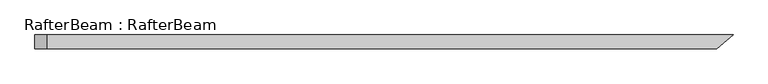
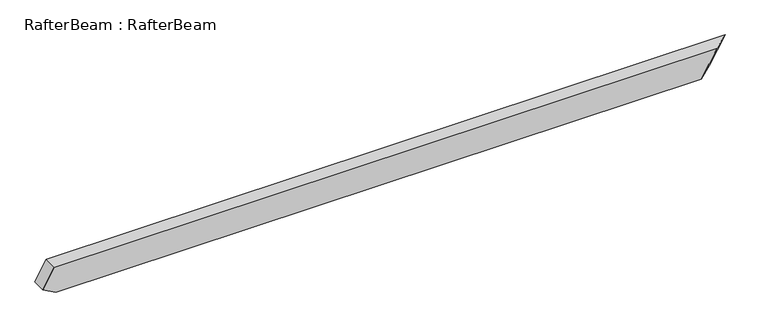
"""IFC4 building model written with IfcOpenShell, lengths in millimetres: beam geometry, RafterBeam : RafterBeam."""

from ifc_helpers import new_model, si_unit, origin, place, context, project, spatial, faceted_brep, source, transform, mapped, element, save


def rafterbeam_rafterbeam_eee92b52(model_context):
    return source(origin(), model_context, "Body", "Brep", [
        faceted_brep([(1884.122524, -40.0, 80.0), (1977.3527026, 40.0, 80.0), (-1996.0573398, 40.0, 80.0), (-1996.0573398, -40.0, 80.0), (1884.9766595, 40.0, -80.0), (1791.7464809, -40.0, -80.0), (-1988.4333828, -40.0, -80.0), (-1988.4333828, 40.0, -80.0), (-2063.4333828, 40.0, -36.6987298), (-2063.4333828, -40.0, -36.6987298)], [[[0, 1, 2, 3]], [[4, 5, 6, 7]], [[1, 4, 7, 8, 2]], [[5, 0, 3, 9, 6]], [[0, 5, 4, 1]], [[3, 2, 8, 9]], [[7, 6, 9, 8]]]),
    ])


if __name__ == "__main__":
    model = new_model("IFC4")
    model_context = context("Model", 3, world=origin())
    ifc_project = project(units=[si_unit("LENGTHUNIT", "METRE", prefix="MILLI")], contexts=[model_context])
    site = spatial("IfcSite", under=ifc_project)
    building = spatial("IfcBuilding", under=site)
    placement = place(None, origin())
    rafterbeam_rafterbeam_shape = rafterbeam_rafterbeam_eee92b52(model_context)
    element("IfcBeam", 1, ObjectType="RafterBeam : RafterBeam", at=placement, inside=building, context=model_context, shape_type="MappedRepresentation", body=[
        mapped(rafterbeam_rafterbeam_shape, transform((0.0, 0.0, 0.0), x_axis=(1.0, 0.0, 0.0), y_axis=(0.0, 1.0, 0.0), z_axis=(0.0, 0.0, 1.0))),
    ])
    save(model, "model.ifc")
